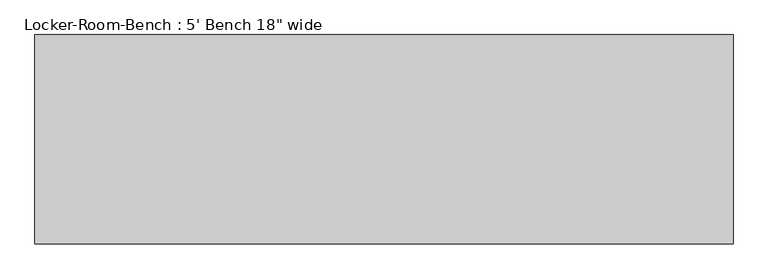
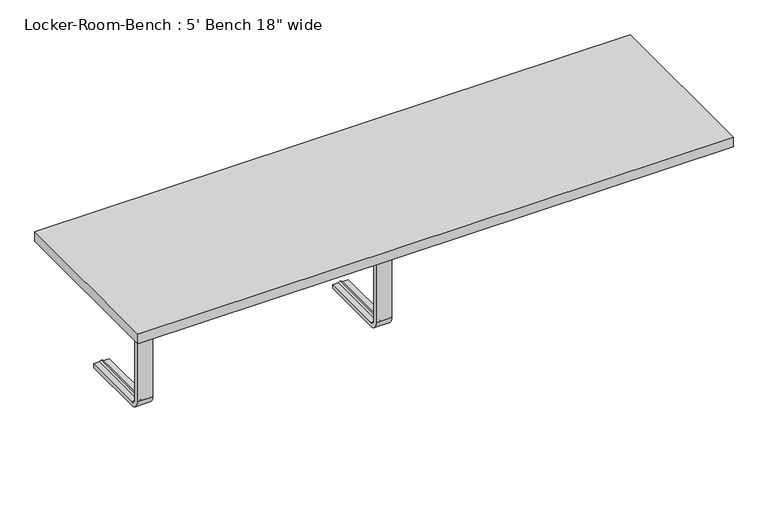
"""IFC4 building model written with IfcOpenShell, lengths in millimetres: proxy geometry."""

from ifc_helpers import new_model, si_unit, point, frame, origin, place, context, project, spatial, polyline, circle_curve, ellipse_curve, trimmed, outline, extrude, source, transform, mapped, element, save
from ifc_brep_helpers import plane_surface, cylinder_surface, revolved_surface, advanced_brep


def proxy_90460a37(model_context):
    return source(origin(), model_context, "Body", "SolidModel", [
        advanced_brep(
        [(-592.0, 193.6, 381.4), (-592.0, 193.6, 371.4), (-607.0, 193.6, 371.4), (-612.0, 193.6, 369.0684617), (-617.0, 193.6, 371.4), (-632.0, 193.6, 371.4), (-632.0, 193.6, 381.4), (-632.0, 25.0, 381.4), (-592.0, 25.0, 381.4), (-632.0, 25.0, 371.4), (-632.0, 10.0, 356.4), (-632.0, 10.0, 40.0), (-632.0, 25.0, 25.0), (-632.0, 193.6, 25.0), (-632.0, 193.6, 15.0), (-632.0, 25.0, 15.0), (-632.0, 0.0, 40.0), (-632.0, 0.0, 356.4), (-617.0, 25.0, 371.4), (-612.0, 25.0, 369.0684617), (-607.0, 25.0, 371.4), (-592.0, 25.0, 371.4), (-592.0, 0.0, 356.4), (-592.0, 0.0, 40.0), (-592.0, 25.0, 15.0), (-592.0, 193.6, 15.0), (-592.0, 193.6, 25.0), (-592.0, 25.0, 25.0), (-592.0, 10.0, 40.0), (-592.0, 10.0, 356.4), (-617.0, 10.0, 356.4), (-612.0, 12.3315383, 356.4), (-607.0, 10.0, 356.4), (-617.0, 10.0, 40.0), (-612.0, 12.3315383, 40.0), (-607.0, 10.0, 40.0), (-617.0, 25.0, 25.0), (-612.0, 25.0, 27.3315383), (-607.0, 25.0, 25.0), (-617.0, 193.6, 25.0), (-612.0, 193.6, 27.3315383), (-607.0, 193.6, 25.0)],
        [
            (0, 1),
            (1, 2),
            (2, 3, circle_curve(frame((-611.7003591, 193.6, 374.9529162), z_axis=(0.0, 1.0, 0.0), x_axis=(0.0, 0.0, 1.0)), 5.8920785)),
            (3, 4, circle_curve(frame((-612.2996409, 193.6, 374.9529162), z_axis=(0.0, 1.0, 0.0), x_axis=(0.0, 0.0, 1.0)), 5.8920785)),
            (4, 5),
            (5, 6),
            (6, 0),
            (6, 7),
            (7, 8),
            (8, 0),
            (5, 9),
            (9, 10, circle_curve(frame((-632.0, 25.0, 356.4), z_axis=(1.0, 0.0, 0.0), x_axis=(0.0, 0.0, 1.0)), 15.0)),
            (10, 11),
            (11, 12, circle_curve(frame((-632.0, 25.0, 40.0), z_axis=(1.0, 0.0, 0.0), x_axis=(0.0, -1.0, 0.0)), 15.0)),
            (12, 13),
            (13, 14),
            (14, 15),
            (15, 16, circle_curve(frame((-632.0, 25.0, 40.0), z_axis=(-1.0, 0.0, 0.0), x_axis=(0.0, -1.0, 0.0)), 25.0)),
            (16, 17),
            (17, 7, circle_curve(frame((-632.0, 25.0, 356.4), z_axis=(-1.0, 0.0, 0.0), x_axis=(0.0, 0.0, 1.0)), 25.0)),
            (4, 18),
            (18, 9),
            (3, 19),
            (19, 18, circle_curve(frame((-612.2996409, 25.0, 374.9529162), z_axis=(0.0, 1.0, 0.0), x_axis=(0.0, 0.0, 1.0)), 5.8920785)),
            (2, 20),
            (20, 19, circle_curve(frame((-611.7003591, 25.0, 374.9529162), z_axis=(0.0, 1.0, 0.0), x_axis=(0.0, 0.0, 1.0)), 5.8920785)),
            (1, 21),
            (21, 20),
            (8, 22, circle_curve(frame((-592.0, 25.0, 356.4), z_axis=(1.0, 0.0, 0.0), x_axis=(0.0, 0.0, 1.0)), 25.0)),
            (22, 23),
            (23, 24, circle_curve(frame((-592.0, 25.0, 40.0), z_axis=(1.0, 0.0, 0.0), x_axis=(0.0, -1.0, 0.0)), 25.0)),
            (24, 25),
            (25, 26),
            (26, 27),
            (27, 28, circle_curve(frame((-592.0, 25.0, 40.0), z_axis=(-1.0, 0.0, 0.0), x_axis=(0.0, -1.0, 0.0)), 15.0)),
            (28, 29),
            (29, 21, circle_curve(frame((-592.0, 25.0, 356.4), z_axis=(-1.0, 0.0, 0.0), x_axis=(0.0, 0.0, 1.0)), 15.0)),
            (17, 22),
            (30, 10),
            (18, 30, circle_curve(frame((-617.0, 25.0, 356.4), z_axis=(1.0, 0.0, 0.0), x_axis=(0.0, 0.0, 1.0)), 15.0)),
            (31, 30, circle_curve(frame((-612.2996409, 6.4470838, 356.4), z_axis=(0.0, 0.0, 1.0), x_axis=(0.0, -1.0, 0.0)), 5.8920785)),
            (19, 31, circle_curve(frame((-612.0, 25.0, 356.4), z_axis=(1.0, 0.0, 0.0), x_axis=(0.0, 0.0, 1.0)), 12.6684617)),
            (32, 31, circle_curve(frame((-611.7003591, 6.4470838, 356.4), z_axis=(0.0, 0.0, 1.0), x_axis=(0.0, -1.0, 0.0)), 5.8920785)),
            (20, 32, circle_curve(frame((-607.0, 25.0, 356.4), z_axis=(1.0, 0.0, 0.0), x_axis=(0.0, 0.0, 1.0)), 15.0)),
            (29, 32),
            (16, 23),
            (30, 33),
            (33, 11),
            (31, 34),
            (34, 33, circle_curve(frame((-612.2996409, 6.4470838, 40.0), z_axis=(0.0, 0.0, 1.0), x_axis=(0.0, -1.0, 0.0)), 5.8920785)),
            (32, 35),
            (35, 34, circle_curve(frame((-611.7003591, 6.4470838, 40.0), z_axis=(0.0, 0.0, 1.0), x_axis=(0.0, -1.0, 0.0)), 5.8920785)),
            (28, 35),
            (15, 24),
            (36, 12),
            (33, 36, circle_curve(frame((-617.0, 25.0, 40.0), z_axis=(1.0, 0.0, 0.0), x_axis=(0.0, -1.0, 0.0)), 15.0)),
            (37, 36, circle_curve(frame((-612.2996409, 25.0, 21.4470838), z_axis=(0.0, -1.0, 0.0), x_axis=(0.0, 0.0, -1.0)), 5.8920785)),
            (34, 37, circle_curve(frame((-612.0, 25.0, 40.0), z_axis=(1.0, 0.0, 0.0), x_axis=(0.0, -1.0, 0.0)), 12.6684617)),
            (38, 37, circle_curve(frame((-611.7003591, 25.0, 21.4470838), z_axis=(0.0, -1.0, 0.0), x_axis=(0.0, 0.0, -1.0)), 5.8920785)),
            (35, 38, circle_curve(frame((-607.0, 25.0, 40.0), z_axis=(1.0, 0.0, 0.0), x_axis=(0.0, -1.0, 0.0)), 15.0)),
            (27, 38),
            (25, 14),
            (13, 39),
            (39, 40, circle_curve(frame((-612.2996409, 193.6, 21.4470838), z_axis=(0.0, 1.0, 0.0), x_axis=(0.0, 0.0, -1.0)), 5.8920785)),
            (40, 41, circle_curve(frame((-611.7003591, 193.6, 21.4470838), z_axis=(0.0, 1.0, 0.0), x_axis=(0.0, 0.0, -1.0)), 5.8920785)),
            (41, 26),
            (36, 39),
            (37, 40),
            (38, 41),
        ],
        [
            plane_surface(frame((-612.0, 193.6, 381.4), z_axis=(0.0, 1.0, 0.0), x_axis=(1.0, 0.0, 0.0))),
            plane_surface(frame((-592.0, 193.6, 381.4), z_axis=(0.0, 0.0, 1.0), x_axis=(0.0, -1.0, 0.0))),
            plane_surface(frame((-632.0, 193.6, 381.4), z_axis=(-1.0, 0.0, 0.0), x_axis=(0.0, -1.0, 0.0))),
            plane_surface(frame((-632.0, 193.6, 371.4), z_axis=(0.0, 0.0, -1.0), x_axis=(0.0, -1.0, 0.0))),
            cylinder_surface(frame((-612.2996409, 193.6, 374.9529162), z_axis=(0.0, 1.0, 0.0), x_axis=(0.0, 0.0, 1.0)), 5.8920785),
            cylinder_surface(frame((-611.7003591, 193.6, 374.9529162), z_axis=(0.0, 1.0, 0.0), x_axis=(0.0, 0.0, 1.0)), 5.8920785),
            plane_surface(frame((-607.0, 193.6, 371.4), z_axis=(0.0, 0.0, -1.0), x_axis=(0.0, -1.0, 0.0))),
            plane_surface(frame((-592.0, 193.6, 371.4), z_axis=(1.0, 0.0, 0.0), x_axis=(0.0, -1.0, 0.0))),
            cylinder_surface(frame((-612.0, 25.0, 356.4), z_axis=(-1.0, 0.0, 0.0), x_axis=(0.0, 0.0, 1.0)), 25.0),
            revolved_surface(polyline([(-632.0, 25.0, 371.4), (-617.0, 25.0, 371.4)]), (-612.0, 25.0, 356.4), (-1.0, 0.0, 0.0)),
            revolved_surface(trimmed(ellipse_curve(frame((-612.2996409, 25.0, 374.9529162), z_axis=(0.0, -1.0, 0.0), x_axis=(0.0, 0.0, 1.0)), 5.8920785, 5.8920785), [point((-617.0, 25.0, 371.4))], [point((-612.0, 25.0, 369.0684617))], True, "CARTESIAN"), (-612.0, 25.0, 356.4), (-1.0, 0.0, 0.0)),
            revolved_surface(trimmed(ellipse_curve(frame((-611.7003591, 25.0, 374.9529162), z_axis=(0.0, -1.0, 0.0), x_axis=(0.0, 0.0, 1.0)), 5.8920785, 5.8920785), [point((-612.0, 25.0, 369.0684617))], [point((-607.0, 25.0, 371.4))], True, "CARTESIAN"), (-612.0, 25.0, 356.4), (-1.0, 0.0, 0.0)),
            revolved_surface(polyline([(-607.0, 25.0, 371.4), (-592.0, 25.0, 371.4)]), (-612.0, 25.0, 356.4), (-1.0, 0.0, 0.0)),
            plane_surface(frame((-592.0, 0.0, 356.4), z_axis=(0.0, -1.0, 0.0), x_axis=(0.0, 0.0, -1.0))),
            plane_surface(frame((-632.0, 10.0, 356.4), z_axis=(0.0, 1.0, 0.0), x_axis=(0.0, 0.0, -1.0))),
            cylinder_surface(frame((-612.2996409, 6.4470838, 356.4), z_axis=(0.0, 0.0, 1.0), x_axis=(0.0, -1.0, 0.0)), 5.8920785),
            cylinder_surface(frame((-611.7003591, 6.4470838, 356.4), z_axis=(0.0, 0.0, 1.0), x_axis=(0.0, -1.0, 0.0)), 5.8920785),
            plane_surface(frame((-607.0, 10.0, 356.4), z_axis=(0.0, 1.0, 0.0), x_axis=(0.0, 0.0, -1.0))),
            cylinder_surface(frame((-612.0, 25.0, 40.0), z_axis=(-1.0, 0.0, 0.0), x_axis=(0.0, -1.0, 0.0)), 25.0),
            revolved_surface(polyline([(-632.0, 10.0, 40.0), (-617.0, 10.0, 40.0)]), (-612.0, 25.0, 40.0), (-1.0, 0.0, 0.0)),
            revolved_surface(trimmed(ellipse_curve(frame((-612.2996409, 6.4470838, 40.0), z_axis=(0.0, 0.0, -1.0), x_axis=(0.0, -1.0, 0.0)), 5.8920785, 5.8920785), [point((-617.0, 10.0, 40.0))], [point((-612.0, 12.3315383, 40.0))], True, "CARTESIAN"), (-612.0, 25.0, 40.0), (-1.0, 0.0, 0.0)),
            revolved_surface(trimmed(ellipse_curve(frame((-611.7003591, 6.4470838, 40.0), z_axis=(0.0, 0.0, -1.0), x_axis=(0.0, -1.0, 0.0)), 5.8920785, 5.8920785), [point((-612.0, 12.3315383, 40.0))], [point((-607.0, 10.0, 40.0))], True, "CARTESIAN"), (-612.0, 25.0, 40.0), (-1.0, 0.0, 0.0)),
            revolved_surface(polyline([(-607.0, 10.0, 40.0), (-592.0, 10.0, 40.0)]), (-612.0, 25.0, 40.0), (-1.0, 0.0, 0.0)),
            plane_surface(frame((-612.0, 193.6, 15.0), z_axis=(0.0, 1.0, 0.0), x_axis=(1.0, 0.0, 0.0))),
            plane_surface(frame((-592.0, 25.0, 15.0), z_axis=(0.0, 0.0, -1.0), x_axis=(0.0, 1.0, 0.0))),
            plane_surface(frame((-632.0, 25.0, 25.0), z_axis=(0.0, 0.0, 1.0), x_axis=(0.0, 1.0, 0.0))),
            cylinder_surface(frame((-612.2996409, 25.0, 21.4470838), z_axis=(0.0, -1.0, 0.0), x_axis=(0.0, 0.0, -1.0)), 5.8920785),
            cylinder_surface(frame((-611.7003591, 25.0, 21.4470838), z_axis=(0.0, -1.0, 0.0), x_axis=(0.0, 0.0, -1.0)), 5.8920785),
            plane_surface(frame((-607.0, 25.0, 25.0), z_axis=(0.0, 0.0, 1.0), x_axis=(0.0, 1.0, 0.0))),
        ],
        [
            (0, [[1, 2, 3, 4, 5, 6, 7]]),
            (1, [[8, 9, 10, -7]]),
            (2, [[11, 12, 13, 14, 15, 16, 17, 18, 19, 20, -8, -6]]),
            (3, [[21, 22, -11, -5]]),
            (4, [[23, 24, -21, -4]]),
            (5, [[25, 26, -23, -3]]),
            (6, [[27, 28, -25, -2]]),
            (7, [[-10, 29, 30, 31, 32, 33, 34, 35, 36, 37, -27, -1]]),
            (8, [[38, -29, -9, -20]]),
            (9, [[39, -12, -22, 40]]),
            (10, [[41, -40, -24, 42]]),
            (11, [[43, -42, -26, 44]]),
            (12, [[45, -44, -28, -37]]),
            (13, [[-19, 46, -30, -38]]),
            (14, [[47, 48, -13, -39]]),
            (15, [[49, 50, -47, -41]]),
            (16, [[51, 52, -49, -43]]),
            (17, [[-36, 53, -51, -45]]),
            (18, [[54, -31, -46, -18]]),
            (19, [[55, -14, -48, 56]]),
            (20, [[57, -56, -50, 58]]),
            (21, [[59, -58, -52, 60]]),
            (22, [[61, -60, -53, -35]]),
            (23, [[62, -16, 63, 64, 65, 66, -33]]),
            (24, [[-17, -62, -32, -54]]),
            (25, [[67, -63, -15, -55]]),
            (26, [[68, -64, -67, -57]]),
            (27, [[69, -65, -68, -59]]),
            (28, [[-34, -66, -69, -61]]),
        ],
    ),
        advanced_brep(
        [(20.0, 193.6, 381.4), (20.0, 193.6, 371.4), (5.0, 193.6, 371.4), (0.0, 193.6, 369.0684617), (-5.0, 193.6, 371.4), (-20.0, 193.6, 371.4), (-20.0, 193.6, 381.4), (-20.0, 25.0, 381.4), (20.0, 25.0, 381.4), (-20.0, 25.0, 371.4), (-20.0, 10.0, 356.4), (-20.0, 10.0, 40.0), (-20.0, 25.0, 25.0), (-20.0, 193.6, 25.0), (-20.0, 193.6, 15.0), (-20.0, 25.0, 15.0), (-20.0, 0.0, 40.0), (-20.0, 0.0, 356.4), (-5.0, 25.0, 371.4), (0.0, 25.0, 369.0684617), (5.0, 25.0, 371.4), (20.0, 25.0, 371.4), (20.0, 0.0, 356.4), (20.0, 0.0, 40.0), (20.0, 25.0, 15.0), (20.0, 193.6, 15.0), (20.0, 193.6, 25.0), (20.0, 25.0, 25.0), (20.0, 10.0, 40.0), (20.0, 10.0, 356.4), (-5.0, 10.0, 356.4), (0.0, 12.3315383, 356.4), (5.0, 10.0, 356.4), (-5.0, 10.0, 40.0), (0.0, 12.3315383, 40.0), (5.0, 10.0, 40.0), (-5.0, 25.0, 25.0), (0.0, 25.0, 27.3315383), (5.0, 25.0, 25.0), (-5.0, 193.6, 25.0), (0.0, 193.6, 27.3315383), (5.0, 193.6, 25.0)],
        [
            (0, 1),
            (1, 2),
            (2, 3, circle_curve(frame((0.2996409, 193.6, 374.9529162), z_axis=(0.0, 1.0, 0.0), x_axis=(0.0, 0.0, 1.0)), 5.8920785)),
            (3, 4, circle_curve(frame((-0.2996409, 193.6, 374.9529162), z_axis=(0.0, 1.0, 0.0), x_axis=(0.0, 0.0, 1.0)), 5.8920785)),
            (4, 5),
            (5, 6),
            (6, 0),
            (6, 7),
            (7, 8),
            (8, 0),
            (5, 9),
            (9, 10, circle_curve(frame((-20.0, 25.0, 356.4), z_axis=(1.0, 0.0, 0.0), x_axis=(0.0, 0.0, 1.0)), 15.0)),
            (10, 11),
            (11, 12, circle_curve(frame((-20.0, 25.0, 40.0), z_axis=(1.0, 0.0, 0.0), x_axis=(0.0, -1.0, 0.0)), 15.0)),
            (12, 13),
            (13, 14),
            (14, 15),
            (15, 16, circle_curve(frame((-20.0, 25.0, 40.0), z_axis=(-1.0, 0.0, 0.0), x_axis=(0.0, -1.0, 0.0)), 25.0)),
            (16, 17),
            (17, 7, circle_curve(frame((-20.0, 25.0, 356.4), z_axis=(-1.0, 0.0, 0.0), x_axis=(0.0, 0.0, 1.0)), 25.0)),
            (4, 18),
            (18, 9),
            (3, 19),
            (19, 18, circle_curve(frame((-0.2996409, 25.0, 374.9529162), z_axis=(0.0, 1.0, 0.0), x_axis=(0.0, 0.0, 1.0)), 5.8920785)),
            (2, 20),
            (20, 19, circle_curve(frame((0.2996409, 25.0, 374.9529162), z_axis=(0.0, 1.0, 0.0), x_axis=(0.0, 0.0, 1.0)), 5.8920785)),
            (1, 21),
            (21, 20),
            (8, 22, circle_curve(frame((20.0, 25.0, 356.4), z_axis=(1.0, 0.0, 0.0), x_axis=(0.0, 0.0, 1.0)), 25.0)),
            (22, 23),
            (23, 24, circle_curve(frame((20.0, 25.0, 40.0), z_axis=(1.0, 0.0, 0.0), x_axis=(0.0, -1.0, 0.0)), 25.0)),
            (24, 25),
            (25, 26),
            (26, 27),
            (27, 28, circle_curve(frame((20.0, 25.0, 40.0), z_axis=(-1.0, 0.0, 0.0), x_axis=(0.0, -1.0, 0.0)), 15.0)),
            (28, 29),
            (29, 21, circle_curve(frame((20.0, 25.0, 356.4), z_axis=(-1.0, 0.0, 0.0), x_axis=(0.0, 0.0, 1.0)), 15.0)),
            (17, 22),
            (30, 10),
            (18, 30, circle_curve(frame((-5.0, 25.0, 356.4), z_axis=(1.0, 0.0, 0.0), x_axis=(0.0, 0.0, 1.0)), 15.0)),
            (31, 30, circle_curve(frame((-0.2996409, 6.4470838, 356.4), z_axis=(0.0, 0.0, 1.0), x_axis=(0.0, -1.0, 0.0)), 5.8920785)),
            (19, 31, circle_curve(frame((0.0, 25.0, 356.4), z_axis=(1.0, 0.0, 0.0), x_axis=(0.0, 0.0, 1.0)), 12.6684617)),
            (32, 31, circle_curve(frame((0.2996409, 6.4470838, 356.4), z_axis=(0.0, 0.0, 1.0), x_axis=(0.0, -1.0, 0.0)), 5.8920785)),
            (20, 32, circle_curve(frame((5.0, 25.0, 356.4), z_axis=(1.0, 0.0, 0.0), x_axis=(0.0, 0.0, 1.0)), 15.0)),
            (29, 32),
            (16, 23),
            (30, 33),
            (33, 11),
            (31, 34),
            (34, 33, circle_curve(frame((-0.2996409, 6.4470838, 40.0), z_axis=(0.0, 0.0, 1.0), x_axis=(0.0, -1.0, 0.0)), 5.8920785)),
            (32, 35),
            (35, 34, circle_curve(frame((0.2996409, 6.4470838, 40.0), z_axis=(0.0, 0.0, 1.0), x_axis=(0.0, -1.0, 0.0)), 5.8920785)),
            (28, 35),
            (15, 24),
            (36, 12),
            (33, 36, circle_curve(frame((-5.0, 25.0, 40.0), z_axis=(1.0, 0.0, 0.0), x_axis=(0.0, -1.0, 0.0)), 15.0)),
            (37, 36, circle_curve(frame((-0.2996409, 25.0, 21.4470838), z_axis=(0.0, -1.0, 0.0), x_axis=(0.0, 0.0, -1.0)), 5.8920785)),
            (34, 37, circle_curve(frame((0.0, 25.0, 40.0), z_axis=(1.0, 0.0, 0.0), x_axis=(0.0, -1.0, 0.0)), 12.6684617)),
            (38, 37, circle_curve(frame((0.2996409, 25.0, 21.4470838), z_axis=(0.0, -1.0, 0.0), x_axis=(0.0, 0.0, -1.0)), 5.8920785)),
            (35, 38, circle_curve(frame((5.0, 25.0, 40.0), z_axis=(1.0, 0.0, 0.0), x_axis=(0.0, -1.0, 0.0)), 15.0)),
            (27, 38),
            (25, 14),
            (13, 39),
            (39, 40, circle_curve(frame((-0.2996409, 193.6, 21.4470838), z_axis=(0.0, 1.0, 0.0), x_axis=(0.0, 0.0, -1.0)), 5.8920785)),
            (40, 41, circle_curve(frame((0.2996409, 193.6, 21.4470838), z_axis=(0.0, 1.0, 0.0), x_axis=(0.0, 0.0, -1.0)), 5.8920785)),
            (41, 26),
            (36, 39),
            (37, 40),
            (38, 41),
        ],
        [
            plane_surface(frame((0.0, 193.6, 381.4), z_axis=(0.0, 1.0, 0.0), x_axis=(1.0, 0.0, 0.0))),
            plane_surface(frame((20.0, 193.6, 381.4), z_axis=(0.0, 0.0, 1.0), x_axis=(0.0, -1.0, 0.0))),
            plane_surface(frame((-20.0, 193.6, 381.4), z_axis=(-1.0, 0.0, 0.0), x_axis=(0.0, -1.0, 0.0))),
            plane_surface(frame((-20.0, 193.6, 371.4), z_axis=(0.0, 0.0, -1.0), x_axis=(0.0, -1.0, 0.0))),
            cylinder_surface(frame((-0.2996409, 193.6, 374.9529162), z_axis=(0.0, 1.0, 0.0), x_axis=(0.0, 0.0, 1.0)), 5.8920785),
            cylinder_surface(frame((0.2996409, 193.6, 374.9529162), z_axis=(0.0, 1.0, 0.0), x_axis=(0.0, 0.0, 1.0)), 5.8920785),
            plane_surface(frame((5.0, 193.6, 371.4), z_axis=(0.0, 0.0, -1.0), x_axis=(0.0, -1.0, 0.0))),
            plane_surface(frame((20.0, 193.6, 371.4), z_axis=(1.0, 0.0, 0.0), x_axis=(0.0, -1.0, 0.0))),
            cylinder_surface(frame((0.0, 25.0, 356.4), z_axis=(-1.0, 0.0, 0.0), x_axis=(0.0, 0.0, 1.0)), 25.0),
            revolved_surface(polyline([(-20.0, 25.0, 371.4), (-5.0, 25.0, 371.4)]), (0.0, 25.0, 356.4), (-1.0, 0.0, 0.0)),
            revolved_surface(trimmed(ellipse_curve(frame((-0.2996409, 25.0, 374.9529162), z_axis=(0.0, -1.0, 0.0), x_axis=(0.0, 0.0, 1.0)), 5.8920785, 5.8920785), [point((-5.0, 25.0, 371.4))], [point((0.0, 25.0, 369.0684617))], True, "CARTESIAN"), (0.0, 25.0, 356.4), (-1.0, 0.0, 0.0)),
            revolved_surface(trimmed(ellipse_curve(frame((0.2996409, 25.0, 374.9529162), z_axis=(0.0, -1.0, 0.0), x_axis=(0.0, 0.0, 1.0)), 5.8920785, 5.8920785), [point((0.0, 25.0, 369.0684617))], [point((5.0, 25.0, 371.4))], True, "CARTESIAN"), (0.0, 25.0, 356.4), (-1.0, 0.0, 0.0)),
            revolved_surface(polyline([(5.0, 25.0, 371.4), (20.0, 25.0, 371.4)]), (0.0, 25.0, 356.4), (-1.0, 0.0, 0.0)),
            plane_surface(frame((20.0, 0.0, 356.4), z_axis=(0.0, -1.0, 0.0), x_axis=(0.0, 0.0, -1.0))),
            plane_surface(frame((-20.0, 10.0, 356.4), z_axis=(0.0, 1.0, 0.0), x_axis=(0.0, 0.0, -1.0))),
            cylinder_surface(frame((-0.2996409, 6.4470838, 356.4), z_axis=(0.0, 0.0, 1.0), x_axis=(0.0, -1.0, 0.0)), 5.8920785),
            cylinder_surface(frame((0.2996409, 6.4470838, 356.4), z_axis=(0.0, 0.0, 1.0), x_axis=(0.0, -1.0, 0.0)), 5.8920785),
            plane_surface(frame((5.0, 10.0, 356.4), z_axis=(0.0, 1.0, 0.0), x_axis=(0.0, 0.0, -1.0))),
            cylinder_surface(frame((0.0, 25.0, 40.0), z_axis=(-1.0, 0.0, 0.0), x_axis=(0.0, -1.0, 0.0)), 25.0),
            revolved_surface(polyline([(-20.0, 10.0, 40.0), (-5.0, 10.0, 40.0)]), (0.0, 25.0, 40.0), (-1.0, 0.0, 0.0)),
            revolved_surface(trimmed(ellipse_curve(frame((-0.2996409, 6.4470838, 40.0), z_axis=(0.0, 0.0, -1.0), x_axis=(0.0, -1.0, 0.0)), 5.8920785, 5.8920785), [point((-5.0, 10.0, 40.0))], [point((0.0, 12.3315383, 40.0))], True, "CARTESIAN"), (0.0, 25.0, 40.0), (-1.0, 0.0, 0.0)),
            revolved_surface(trimmed(ellipse_curve(frame((0.2996409, 6.4470838, 40.0), z_axis=(0.0, 0.0, -1.0), x_axis=(0.0, -1.0, 0.0)), 5.8920785, 5.8920785), [point((0.0, 12.3315383, 40.0))], [point((5.0, 10.0, 40.0))], True, "CARTESIAN"), (0.0, 25.0, 40.0), (-1.0, 0.0, 0.0)),
            revolved_surface(polyline([(5.0, 10.0, 40.0), (20.0, 10.0, 40.0)]), (0.0, 25.0, 40.0), (-1.0, 0.0, 0.0)),
            plane_surface(frame((0.0, 193.6, 15.0), z_axis=(0.0, 1.0, 0.0), x_axis=(1.0, 0.0, 0.0))),
            plane_surface(frame((20.0, 25.0, 15.0), z_axis=(0.0, 0.0, -1.0), x_axis=(0.0, 1.0, 0.0))),
            plane_surface(frame((-20.0, 25.0, 25.0), z_axis=(0.0, 0.0, 1.0), x_axis=(0.0, 1.0, 0.0))),
            cylinder_surface(frame((-0.2996409, 25.0, 21.4470838), z_axis=(0.0, -1.0, 0.0), x_axis=(0.0, 0.0, -1.0)), 5.8920785),
            cylinder_surface(frame((0.2996409, 25.0, 21.4470838), z_axis=(0.0, -1.0, 0.0), x_axis=(0.0, 0.0, -1.0)), 5.8920785),
            plane_surface(frame((5.0, 25.0, 25.0), z_axis=(0.0, 0.0, 1.0), x_axis=(0.0, 1.0, 0.0))),
        ],
        [
            (0, [[1, 2, 3, 4, 5, 6, 7]]),
            (1, [[8, 9, 10, -7]]),
            (2, [[11, 12, 13, 14, 15, 16, 17, 18, 19, 20, -8, -6]]),
            (3, [[21, 22, -11, -5]]),
            (4, [[23, 24, -21, -4]]),
            (5, [[25, 26, -23, -3]]),
            (6, [[27, 28, -25, -2]]),
            (7, [[-10, 29, 30, 31, 32, 33, 34, 35, 36, 37, -27, -1]]),
            (8, [[38, -29, -9, -20]]),
            (9, [[39, -12, -22, 40]]),
            (10, [[41, -40, -24, 42]]),
            (11, [[43, -42, -26, 44]]),
            (12, [[45, -44, -28, -37]]),
            (13, [[-19, 46, -30, -38]]),
            (14, [[47, 48, -13, -39]]),
            (15, [[49, 50, -47, -41]]),
            (16, [[51, 52, -49, -43]]),
            (17, [[-36, 53, -51, -45]]),
            (18, [[54, -31, -46, -18]]),
            (19, [[55, -14, -48, 56]]),
            (20, [[57, -56, -50, 58]]),
            (21, [[59, -58, -52, 60]]),
            (22, [[61, -60, -53, -35]]),
            (23, [[62, -16, 63, 64, 65, 66, -33]]),
            (24, [[-17, -62, -32, -54]]),
            (25, [[67, -63, -15, -55]]),
            (26, [[68, -64, -67, -57]]),
            (27, [[69, -65, -68, -59]]),
            (28, [[-34, -66, -69, -61]]),
        ],
    ),
        extrude(outline(polyline([(762.0, -228.6), (-762.0, -228.6), (-762.0, 228.6), (762.0, 228.6), (762.0, -228.6)])), frame((0.0, 0.0, 381.4), z_axis=(0.0, 0.0, 1.0), x_axis=(1.0, 0.0, 0.0)), (0.0, 0.0, 1.0), 25.0),
    ])


if __name__ == "__main__":
    model = new_model("IFC4")
    model_context = context("Model", 3, world=origin())
    ifc_project = project(units=[si_unit("LENGTHUNIT", "METRE", prefix="MILLI")], contexts=[model_context])
    site = spatial("IfcSite", under=ifc_project)
    building = spatial("IfcBuilding", under=site)
    placement = place(None, origin())
    proxy_shape = proxy_90460a37(model_context)
    element("IfcBuildingElementProxy", 1, Name="Locker-Room-Bench : 5' Bench 18\" wide", ObjectType="Locker-Room-Bench : 5' Bench 18\" wide", at=placement, inside=building, context=model_context, shape_type="MappedRepresentation", body=[
        mapped(proxy_shape, transform((0.0, 0.0, 0.0), x_axis=(1.0, 0.0, 0.0), y_axis=(0.0, 1.0, 0.0), z_axis=(0.0, 0.0, 1.0))),
    ])
    save(model, "model.ifc")
